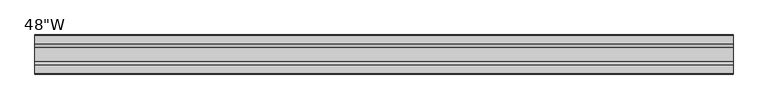
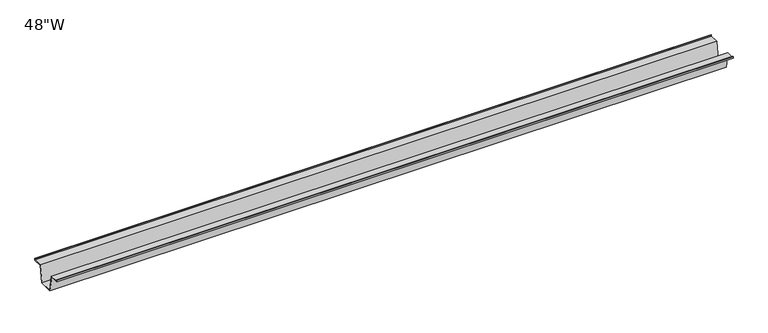
"""IFC4 building model written with IfcOpenShell, lengths in millimetres: furniture geometry."""

from ifc_helpers import new_model, si_unit, frame, origin, place, context, project, spatial, polyline, outline, extrude, source, transform, mapped, element, save


def furniture_24b49d77(model_context):
    return source(origin(), model_context, "Body", "SweptSolid", [
        extrude(outline(polyline([(-22.9397721, 701.675), (-28.502372, 671.4490007), (-53.9023728, 671.4490007), (-59.4649727, 701.675), (-75.3653716, 701.675), (-75.3653716, 704.85), (-74.5716216, 704.85), (-74.5716216, 702.46875), (-58.8172994, 702.46875), (-53.2546995, 672.2427507), (-29.1500453, 672.2427507), (-23.5874454, 702.46875), (-7.8331232, 702.46875), (-7.8331232, 704.85), (-7.0393732, 704.85), (-7.0393732, 701.675), (-22.9397721, 701.675)])), frame((-609.6, 0.0, 0.0), z_axis=(1.0, 0.0, 0.0), x_axis=(0.0, 1.0, 0.0)), (0.0, 0.0, 1.0), 1219.2),
    ])


if __name__ == "__main__":
    model = new_model("IFC4")
    model_context = context("Model", 3, world=origin())
    ifc_project = project(units=[si_unit("LENGTHUNIT", "METRE", prefix="MILLI")], contexts=[model_context])
    site = spatial("IfcSite", under=ifc_project)
    building = spatial("IfcBuilding", under=site)
    placement = place(None, origin())
    furniture_shape = furniture_24b49d77(model_context)
    element("IfcFurniture", 1, ObjectType="48\"W", at=placement, inside=building, context=model_context, shape_type="MappedRepresentation", body=[
        mapped(furniture_shape, transform((0.0, 0.0, 0.0), x_axis=(1.0, 0.0, 0.0), y_axis=(0.0, 1.0, 0.0), z_axis=(0.0, 0.0, 1.0))),
    ])
    save(model, "model.ifc")
